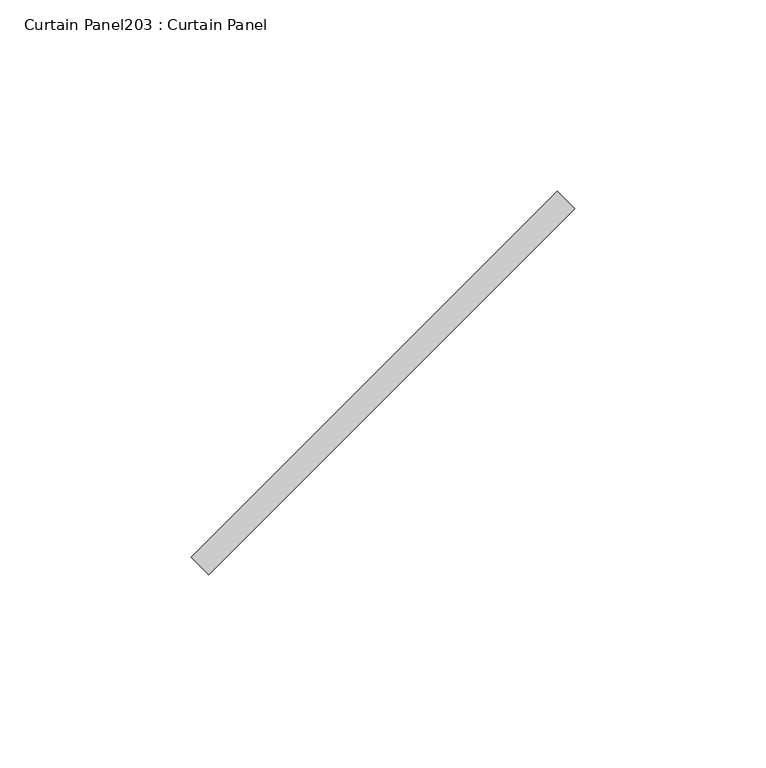
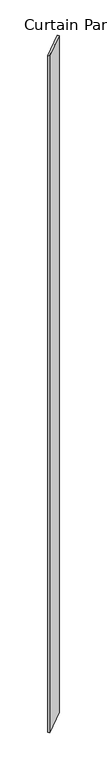
"""IFC4 building model written with IfcOpenShell, lengths in millimetres: plate geometry, Curtain Panel203 : Curtain Panel."""

from ifc_helpers import new_model, si_unit, frame, origin, place, context, project, spatial, polyline, outline, extrude, source, transform, mapped, element, save


def curtain_panel203_curtain_panel_ee661544(model_context):
    return source(origin(), model_context, "Body", "SweptSolid", [
        extrude(outline(polyline([(609329.3572869, 2823.4476459), (609425.0277048, 2919.1180638), (609429.5178329, 2914.6279357), (609333.847415, 2818.9575178), (609329.3572869, 2823.4476459)])), frame((0.0, 0.0, 4959.7989371), z_axis=(0.0, 0.0, 1.0), x_axis=(1.0, 0.0, 0.0)), (0.0, 0.0, 1.0), 3048.0),
    ])


if __name__ == "__main__":
    model = new_model("IFC4")
    model_context = context("Model", 3, world=origin())
    ifc_project = project(units=[si_unit("LENGTHUNIT", "METRE", prefix="MILLI")], contexts=[model_context])
    site = spatial("IfcSite", under=ifc_project)
    building = spatial("IfcBuilding", under=site)
    placement = place(None, origin())
    curtain_panel203_curtain_panel_shape = curtain_panel203_curtain_panel_ee661544(model_context)
    element("IfcPlate", 1, ObjectType="Curtain Panel203 : Curtain Panel", at=placement, inside=building, context=model_context, shape_type="MappedRepresentation", body=[
        mapped(curtain_panel203_curtain_panel_shape, transform((0.0, 0.0, 0.0), x_axis=(1.0, 0.0, 0.0), y_axis=(0.0, 1.0, 0.0), z_axis=(0.0, 0.0, 1.0))),
    ])
    save(model, "model.ifc")
